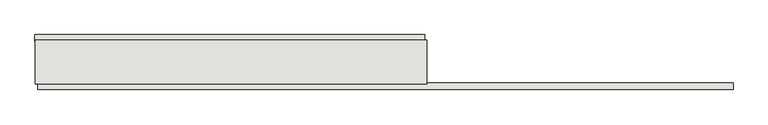
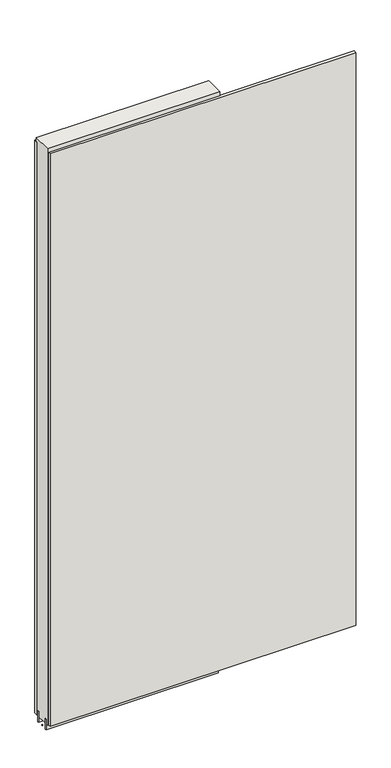
"""IFC4 building model written with IfcOpenShell, lengths in millimetres: wall geometry."""

from ifc_helpers import new_model, si_unit, frame, origin, place, context, project, spatial, polyline, outline, extrude, source, transform, mapped, element, save


def wall_7e4bd3d6(model_context):
    return source(origin(), model_context, "Body", "SweptSolid", [
        extrude(outline(polyline([(66013.5594382, -39414.4636398), (66016.0994382, -39414.4636398), (66016.0994382, -39417.0036398), (66013.5594382, -39417.0036398), (66013.5594382, -39414.4636398)])), frame((0.0, 0.0, 4419.6), z_axis=(0.0, 0.0, 1.0), x_axis=(1.0, 0.0, 0.0)), (0.0, 0.0, 1.0), 2.54),
        extrude(outline(polyline([(67302.9786145, -39466.5336398), (66018.0246947, -39466.5336398), (66018.0246947, -39453.8336398), (67302.9786145, -39453.8336398), (67302.9786145, -39466.5336398)])), frame((0.0, 0.0, 4445.0), z_axis=(0.0, 0.0, 1.0), x_axis=(1.0, 0.0, 0.0)), (0.0, 0.0, 1.0), 2545.0498756),
        extrude(outline(polyline([(66013.0901478, -39364.9336398), (66732.990105, -39364.9336398), (66732.990105, -39377.6336398), (66013.0901478, -39377.6336398), (66013.0901478, -39364.9336398)])), frame((0.0, 0.0, 4445.0), z_axis=(0.0, 0.0, 1.0), x_axis=(1.0, 0.0, 0.0)), (0.0, 0.0, 1.0), 2545.0498756),
        extrude(outline(polyline([(66013.5581936, -39440.8142856), (66737.4581936, -39440.8142856), (66737.4581936, -39445.8961398), (66013.5581936, -39445.8961398), (66013.5581936, -39440.8142856)])), frame((0.0, 0.0, 4418.6602), z_axis=(0.0, 0.0, 1.0), x_axis=(1.0, 0.0, 0.0)), (0.0, 0.0, 1.0), 47.625),
        extrude(outline(polyline([(66013.5581936, -39440.8142856), (66737.4581936, -39440.8142856), (66737.4581936, -39445.8961398), (66013.5581936, -39445.8961398), (66013.5581936, -39440.8142856)])), frame((0.0, 0.0, 4418.6602), z_axis=(0.0, 0.0, 1.0), x_axis=(1.0, 0.0, 0.0)), (0.0, 0.0, 1.0), 47.625),
        extrude(outline(polyline([(66737.4581936, -39390.6498952), (66013.5581936, -39390.6498952), (66013.5581936, -39385.5711398), (66737.4581936, -39385.5711398), (66737.4581936, -39390.6498952)])), frame((0.0, 0.0, 4418.6602), z_axis=(0.0, 0.0, 1.0), x_axis=(1.0, 0.0, 0.0)), (0.0, 0.0, 1.0), 47.625),
        extrude(outline(polyline([(66737.4581936, -39390.6498952), (66013.5581936, -39390.6498952), (66013.5581936, -39385.5711398), (66737.4581936, -39385.5711398), (66737.4581936, -39390.6498952)])), frame((0.0, 0.0, 4418.6602), z_axis=(0.0, 0.0, 1.0), x_axis=(1.0, 0.0, 0.0)), (0.0, 0.0, 1.0), 47.625),
        extrude(outline(polyline([(66013.5581936, -39456.3854254), (66013.5581936, -39375.10667), (66737.4581936, -39375.10667), (66737.4581936, -39456.3854254), (66013.5581936, -39456.3854254)])), frame((0.0, 0.0, 4445.0), z_axis=(0.0, 0.0, 1.0), x_axis=(1.0, 0.0, 0.0)), (0.0, 0.0, 1.0), 2562.4536762),
    ])


if __name__ == "__main__":
    model = new_model("IFC4")
    model_context = context("Model", 3, world=origin())
    ifc_project = project(units=[si_unit("LENGTHUNIT", "METRE", prefix="MILLI")], contexts=[model_context])
    site = spatial("IfcSite", under=ifc_project)
    building = spatial("IfcBuilding", under=site)
    placement = place(None, origin())
    wall_shape = wall_7e4bd3d6(model_context)
    element("IfcWall", 1, at=placement, inside=building, context=model_context, shape_type="MappedRepresentation", body=[
        mapped(wall_shape, transform((0.0, 0.0, 0.0), x_axis=(1.0, 0.0, 0.0), y_axis=(0.0, 1.0, 0.0), z_axis=(0.0, 0.0, 1.0))),
    ])
    save(model, "model.ifc")
